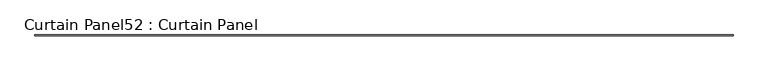
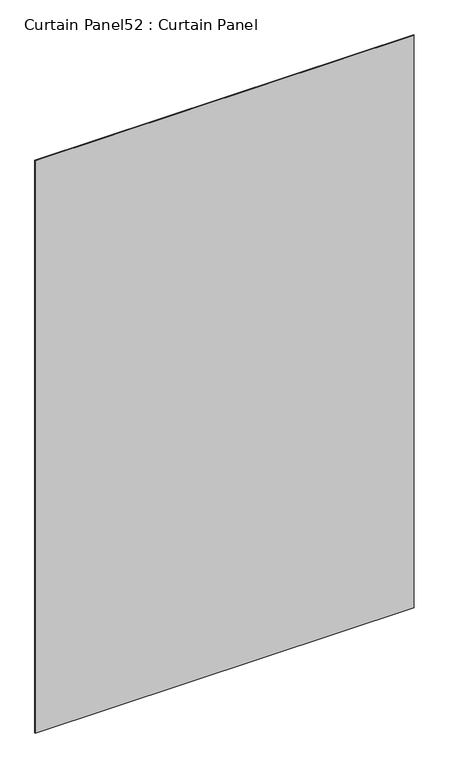
"""IFC4 building model written with IfcOpenShell, lengths in millimetres: plate geometry, Curtain Panel52 : Curtain Panel."""

import ifcopenshell
import ifcopenshell.guid

model = None  # the IFC model being written
_history = None  # IfcOwnerHistory: only IFC2X3 demands one
_inside = {}  # id of a spatial element -> (the spatial element, [elements in it])
_under = {}  # id of a project, library or spatial element -> (it, [spatial elements below it])
_declared = {}  # id of a project -> (the project, [libraries it declares])
_typed = {}  # id of a type object -> (the type object, [elements of that type])
_made_of = {}  # id of a material, layer set ... -> (it, [elements and type objects made of it])


def new_model(schema):
    """Start an empty IFC model of exactly this schema.

    Asked for "IFC4X3", IfcOpenShell would pick the latest addendum, in which some entities
    have other attributes; the version numbers below select the first issue.
    IFC2X3 requires an IfcOwnerHistory on every rooted entity: one is made here for all.
    """
    global model, _history
    if schema == "IFC4X3":
        model = ifcopenshell.file(schema_version=(4, 3, 0, 0))
    else:
        model = ifcopenshell.file(schema=schema)
    _inside.clear()
    _under.clear()
    _declared.clear()
    _typed.clear()
    _made_of.clear()
    _history = None
    if model.schema == "IFC2X3":
        org = make("IfcOrganization", Name="unknown")
        user = make(
            "IfcPersonAndOrganization",
            ThePerson=make("IfcPerson", FamilyName="unknown"),
            TheOrganization=org,
        )
        app = make(
            "IfcApplication",
            ApplicationDeveloper=org,
            Version="unknown",
            ApplicationFullName="unknown",
            ApplicationIdentifier="unknown",
        )
        _history = make(
            "IfcOwnerHistory",
            OwningUser=user,
            OwningApplication=app,
            ChangeAction="ADDED",
            CreationDate=0,
        )
    return model


def make(cls, **values):
    """One entity of the class cls with the attributes given. An attribute that is None is left unset."""
    return model.create_entity(
        cls, **{name: value for name, value in values.items() if value is not None}
    )


def rooted(cls, **values):
    """An entity with a GlobalId (a new one), such as an element, a storey or a relation."""
    return make(cls, GlobalId=ifcopenshell.guid.new(), OwnerHistory=_history, **values)


def si_unit(unit_type, name, prefix=None):
    """IfcSIUnit, for example si_unit("LENGTHUNIT", "METRE", prefix="MILLI")."""
    return make("IfcSIUnit", UnitType=unit_type, Prefix=prefix, Name=name)


def assignment(units):
    """IfcUnitAssignment: the units of a project."""
    return None if units is None else make("IfcUnitAssignment", Units=units)


def point(xyz):
    """IfcCartesianPoint."""
    return None if xyz is None else make("IfcCartesianPoint", Coordinates=xyz)


def direction(xyz):
    """IfcDirection."""
    return None if xyz is None else make("IfcDirection", DirectionRatios=xyz)


def frame(location, z_axis=None, x_axis=None):
    """IfcAxis2Placement3D, a coordinate frame: its origin and axes. An axis left out is left unset."""
    return make(
        "IfcAxis2Placement3D",
        Location=point(location),
        Axis=direction(z_axis),
        RefDirection=direction(x_axis),
    )


def origin():
    """The frame at (0, 0, 0) with its axes left unset."""
    return frame((0.0, 0.0, 0.0))


def place(relative_to, where):
    """IfcLocalPlacement: puts the frame where relative to a parent placement (None: the world)."""
    return make(
        "IfcLocalPlacement", PlacementRelTo=relative_to, RelativePlacement=where
    )


def context(
    kind, dimensions, precision=None, world=None, true_north=None, identifier=None
):
    """IfcGeometricRepresentationContext, for example the 3D "Model" context."""
    return make(
        "IfcGeometricRepresentationContext",
        ContextIdentifier=identifier,
        ContextType=kind,
        CoordinateSpaceDimension=dimensions,
        Precision=precision,
        WorldCoordinateSystem=world,
        TrueNorth=true_north,
    )


def project(units=None, contexts=None):
    """IfcProject with its units and contexts."""
    return rooted(
        "IfcProject",
        Name="project",
        RepresentationContexts=contexts,
        UnitsInContext=assignment(units),
    )


def spatial(cls, under=None, at=None, **own):
    """A site, building, storey or space (cls), placed at a placement, below another one or the project."""
    s = rooted(cls, ObjectPlacement=at, **own)
    if under is not None:
        _under.setdefault(under.id(), (under, []))[1].append(s)
    return s


def polyline(points):
    """IfcPolyline through the points."""
    return make("IfcPolyline", Points=[point(p) for p in points])


def outline(outer, holes=None, kind="AREA"):
    """IfcArbitraryClosedProfileDef: a profile drawn as a closed curve; with holes, ...WithVoids."""
    if holes is None:
        return make("IfcArbitraryClosedProfileDef", ProfileType=kind, OuterCurve=outer)
    return make(
        "IfcArbitraryProfileDefWithVoids",
        ProfileType=kind,
        OuterCurve=outer,
        InnerCurves=holes,
    )


def extrude(swept, where, along, depth):
    """IfcExtrudedAreaSolid: the profile swept, set in the frame where, extruded along a direction by depth."""
    return make(
        "IfcExtrudedAreaSolid",
        SweptArea=swept,
        Position=where,
        ExtrudedDirection=direction(along),
        Depth=depth,
    )


def shape(context_of_items, identifier, shape_type, items):
    """IfcShapeRepresentation: the items that make up one representation, for example the "Body"."""
    return make(
        "IfcShapeRepresentation",
        ContextOfItems=context_of_items,
        RepresentationIdentifier=identifier,
        RepresentationType=shape_type,
        Items=items,
    )


def source(mapping_origin, context_of_items, identifier, shape_type, items):
    """IfcRepresentationMap: a shape defined once, which mapped items show again and again."""
    return make(
        "IfcRepresentationMap",
        MappingOrigin=mapping_origin,
        MappedRepresentation=shape(context_of_items, identifier, shape_type, items),
    )


def transform(
    local_origin,
    x_axis=None,
    y_axis=None,
    z_axis=None,
    scale=None,
    scale2=None,
    scale3=None,
    uniform=True,
):
    """IfcCartesianTransformationOperator3D, or its non-uniform kind. x_axis, y_axis, z_axis: its Axis1, 2, 3."""
    if uniform:
        return make(
            "IfcCartesianTransformationOperator3D",
            Axis1=direction(x_axis),
            Axis2=direction(y_axis),
            LocalOrigin=point(local_origin),
            Scale=scale,
            Axis3=direction(z_axis),
        )
    return make(
        "IfcCartesianTransformationOperator3DnonUniform",
        Axis1=direction(x_axis),
        Axis2=direction(y_axis),
        LocalOrigin=point(local_origin),
        Scale=scale,
        Axis3=direction(z_axis),
        Scale2=scale2,
        Scale3=scale3,
    )


def mapped(mapping_source, mapping_target):
    """IfcMappedItem: shows the shape of a source again, moved by a transform."""
    return make(
        "IfcMappedItem", MappingSource=mapping_source, MappingTarget=mapping_target
    )


def made_of(thing, what):
    """Note that an element or type object is made of a material, layer set ...; save() writes the relation."""
    if what is not None:
        _made_of.setdefault(what.id(), (what, []))[1].append(thing)
    return thing


def element(
    cls,
    number,
    at=None,
    inside=None,
    cuts=None,
    type_object=None,
    material=None,
    context=None,
    identifier="Body",
    shape_type=None,
    held_by="IfcProductDefinitionShape",
    body=None,
    shapes=None,
    **own,
):
    """One element of the class cls, such as IfcWall. Its Tag is "e" and its number.

    at: its placement. inside: the storey or other place that contains it. cuts: it is an
    opening in that element (IfcRelVoidsElement). A single representation is given by context,
    identifier, shape_type and body (its items); several are given by shapes. held_by: the class
    of the entity that holds the representations. save() writes the other relations.
    """
    e = rooted(cls, Tag="e%d" % number, ObjectPlacement=at, **own)
    if body is not None:
        shapes = [shape(context, identifier, shape_type, body)]
    if shapes is not None:
        e.Representation = make(held_by, Representations=shapes)
    if inside is not None:
        _inside.setdefault(inside.id(), (inside, []))[1].append(e)
    if cuts is not None:
        rooted(
            "IfcRelVoidsElement", RelatingBuildingElement=cuts, RelatedOpeningElement=e
        )
    if type_object is not None:
        _typed.setdefault(type_object.id(), (type_object, []))[1].append(e)
    return made_of(e, material)


def aggregate(whole, parts):
    """IfcRelAggregates: a whole, such as a stair, and the parts it consists of."""
    return rooted("IfcRelAggregates", RelatingObject=whole, RelatedObjects=parts)


def save(model, path):
    """Write the relations noted so far, then the file.

    IfcRelAggregates (storeys below a building ...), IfcRelContainedInSpatialStructure (elements
    in a storey), IfcRelDefinesByType, IfcRelAssociatesMaterial and IfcRelDeclares: one each for
    every whole, place, type object, material and project.
    """
    for whole, parts in _under.values():
        aggregate(whole, parts)
    for where, things in _inside.values():
        rooted(
            "IfcRelContainedInSpatialStructure",
            RelatedElements=things,
            RelatingStructure=where,
        )
    for kind, things in _typed.values():
        rooted("IfcRelDefinesByType", RelatedObjects=things, RelatingType=kind)
    for what, things in _made_of.values():
        rooted("IfcRelAssociatesMaterial", RelatedObjects=things, RelatingMaterial=what)
    for by, libraries in _declared.values():
        rooted("IfcRelDeclares", RelatingContext=by, RelatedDefinitions=libraries)
    model.write(path)


def curtain_panel52_curtain_panel_ab83f78c(model_context):
    return source(origin(), model_context, "Body", "SweptSolid", [
        extrude(outline(polyline([(54844.7696389, 1667.1510947), (49432.7317343, 1667.1510947), (49432.7317343, 1673.5010947), (54844.7696389, 1673.5010947), (54844.7696389, 1667.1510947)])), frame((0.0, 0.0, 28084.9602018), z_axis=(0.0, 0.0, 1.0), x_axis=(1.0, 0.0, 0.0)), (0.0, 0.0, 1.0), 8635.0685723),
    ])


if __name__ == "__main__":
    model = new_model("IFC4")
    model_context = context("Model", 3, world=origin())
    ifc_project = project(units=[si_unit("LENGTHUNIT", "METRE", prefix="MILLI")], contexts=[model_context])
    site = spatial("IfcSite", under=ifc_project)
    building = spatial("IfcBuilding", under=site)
    placement = place(None, origin())
    curtain_panel52_curtain_panel_shape = curtain_panel52_curtain_panel_ab83f78c(model_context)
    element("IfcPlate", 1, ObjectType="Curtain Panel52 : Curtain Panel", at=placement, inside=building, context=model_context, shape_type="MappedRepresentation", body=[
        mapped(curtain_panel52_curtain_panel_shape, transform((0.0, 0.0, 0.0), x_axis=(1.0, 0.0, 0.0), y_axis=(0.0, 1.0, 0.0), z_axis=(0.0, 0.0, 1.0))),
    ])
    save(model, "model.ifc")
